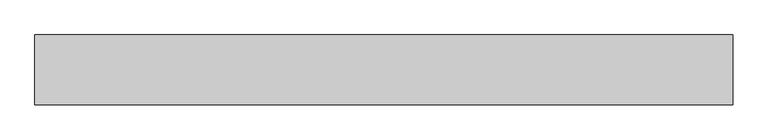
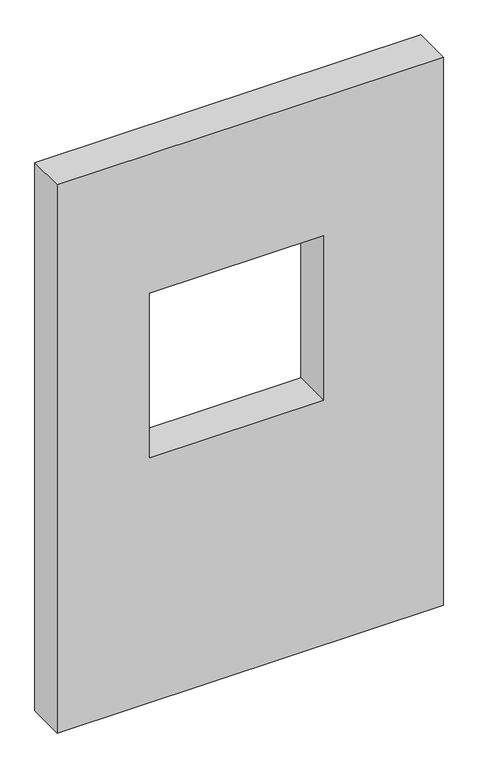
"""IFC4 building model written with IfcOpenShell, lengths in millimetres: proxy geometry."""

from ifc_helpers import new_model, si_unit, frame, origin, place, context, project, spatial, polyline, outline, extrude, source, transform, mapped, element, save


def generic_models_de14abcf(model_context):
    return source(origin(), model_context, "Body", "SweptSolid", [
        extrude(outline(polyline([(1500.0, 1000.0), (1500.0, 0.0), (0.0, 0.0), (0.0, 1000.0), (1500.0, 1000.0)]), holes=[polyline([(1120.0, 240.0), (1120.0, 690.0), (670.0, 690.0), (670.0, 240.0), (1120.0, 240.0)])]), frame((0.0, 0.0, 0.0), z_axis=(0.0, 1.0, 0.0), x_axis=(0.0, 0.0, 1.0)), (0.0, 0.0, 1.0), 100.0),
    ])


if __name__ == "__main__":
    model = new_model("IFC4")
    model_context = context("Model", 3, world=origin())
    ifc_project = project(units=[si_unit("LENGTHUNIT", "METRE", prefix="MILLI")], contexts=[model_context])
    site = spatial("IfcSite", under=ifc_project)
    building = spatial("IfcBuilding", under=site)
    placement = place(None, origin())
    generic_models_shape = generic_models_de14abcf(model_context)
    element("IfcBuildingElementProxy", 1, Name="Generic Models", at=placement, inside=building, context=model_context, shape_type="MappedRepresentation", body=[
        mapped(generic_models_shape, transform((0.0, 0.0, 0.0), x_axis=(1.0, 0.0, 0.0), y_axis=(0.0, 1.0, 0.0), z_axis=(0.0, 0.0, 1.0))),
    ])
    save(model, "model.ifc")
